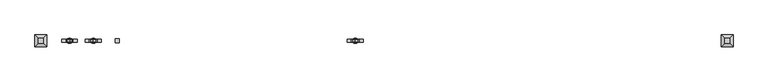
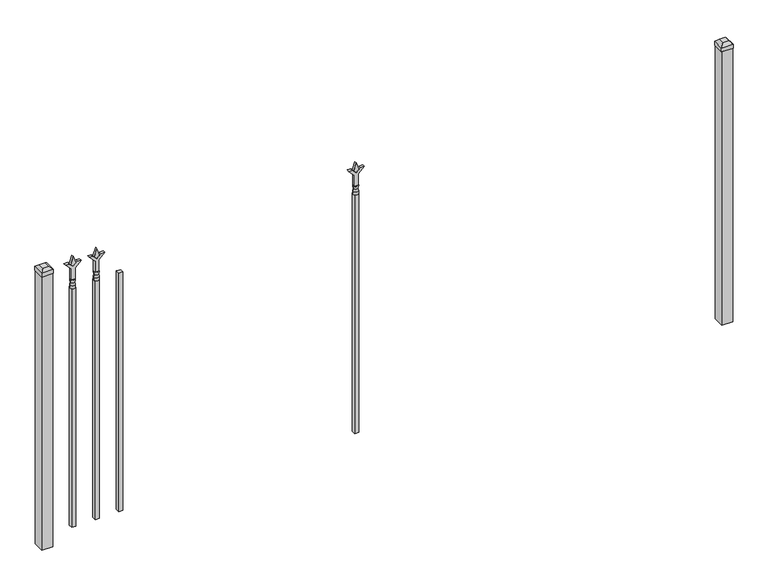
"""IFC4 building model written with IfcOpenShell, lengths in millimetres: railing geometry."""

from ifc_helpers import new_model, si_unit, frame, origin, origin_with_axes, place, context, project, spatial, polyline, circle_curve, outline, extrude, faceted_brep, source, transform, mapped, element, save
from ifc_brep_helpers import plane_surface, cylinder_surface, revolved_surface, advanced_brep


def railing_8c92b0b6(model_context):
    return source(origin(), model_context, "Body", "SolidModel", [
        extrude(outline(polyline([(-73196.5347536, -625.7320174), (-73177.4847536, -625.7320174), (-73177.4847536, -644.7820174), (-73196.5347536, -644.7820174), (-73196.5347536, -625.7320174)])), frame((0.0, 0.0, 50.8), z_axis=(0.0, 0.0, 1.0), x_axis=(1.0, 0.0, 0.0)), (0.0, 0.0, 1.0), 1168.4),
        extrude(outline(polyline([(1335.88125, -73284.3764203), (1371.6, -73296.2826703), (1335.88125, -73308.1889203), (1323.975, -73296.2826703), (1335.88125, -73284.3764203)])), frame((0.0, -640.0195174, 0.0), z_axis=(0.0, 1.0, 0.0), x_axis=(0.0, 0.0, 1.0)), (0.0, 0.0, 1.0), 9.525),
        extrude(outline(polyline([(1260.475, -73287.5514203), (1314.7457378, -73287.5514203), (1341.9355122, -73260.3616458), (1341.9355122, -73278.3221581), (1323.975, -73296.2826703), (1341.9355122, -73314.2431825), (1341.9355122, -73332.2036948), (1314.7457378, -73305.0139203), (1260.475, -73305.0139203), (1260.475, -73287.5514203)])), frame((0.0, -641.6070174, 0.0), z_axis=(0.0, 1.0, 0.0), x_axis=(0.0, 0.0, 1.0)), (0.0, 0.0, 1.0), 12.7),
        advanced_brep(
        [(-73284.3764203, -635.2570174, 1231.9), (-73308.1889203, -635.2570174, 1231.9), (-73308.1889203, -635.2570174, 1219.2), (-73284.3764203, -635.2570174, 1219.2), (-73286.5817522, -635.2570174, 1244.4070585), (-73305.9835884, -635.2570174, 1244.4070585), (-73284.3764203, -635.2570174, 1260.475), (-73308.1889203, -635.2570174, 1260.475), (-73296.2826703, -635.2570174, 1260.475), (-73296.2826703, -635.2570174, 1219.2)],
        [
            (0, 1, circle_curve(frame((-73296.2826703, -635.2570174, 1231.9), z_axis=(0.0, 0.0, -1.0), x_axis=(-1.0, 0.0, 0.0)), 11.90625)),
            (1, 2),
            (2, 3, circle_curve(frame((-73296.2826703, -635.2570174, 1219.2), z_axis=(0.0, 0.0, 1.0), x_axis=(-1.0, 0.0, 0.0)), 11.90625)),
            (3, 0),
            (1, 0, circle_curve(frame((-73296.2826703, -635.2570174, 1231.9), z_axis=(0.0, 0.0, -1.0), x_axis=(-1.0, 0.0, 0.0)), 11.90625)),
            (3, 2, circle_curve(frame((-73296.2826703, -635.2570174, 1219.2), z_axis=(0.0, 0.0, 1.0), x_axis=(-1.0, 0.0, 0.0)), 11.90625)),
            (4, 5, circle_curve(frame((-73296.2826703, -635.2570174, 1244.4070585), z_axis=(0.0, 0.0, -1.0), x_axis=(-1.0, 0.0, 0.0)), 9.7009181)),
            (5, 1),
            (0, 4),
            (5, 4, circle_curve(frame((-73296.2826703, -635.2570174, 1244.4070585), z_axis=(0.0, 0.0, -1.0), x_axis=(-1.0, 0.0, 0.0)), 9.7009181)),
            (6, 7, circle_curve(frame((-73296.2826703, -635.2570174, 1260.475), z_axis=(0.0, 0.0, -1.0), x_axis=(-1.0, 0.0, 0.0)), 11.90625)),
            (7, 5),
            (4, 6),
            (7, 6, circle_curve(frame((-73296.2826703, -635.2570174, 1260.475), z_axis=(0.0, 0.0, -1.0), x_axis=(-1.0, 0.0, 0.0)), 11.90625)),
            (8, 7),
            (6, 8),
            (2, 9),
            (9, 3),
        ],
        [
            cylinder_surface(frame((-73296.2826703, -635.2570174, 1219.2), z_axis=(0.0, 0.0, 1.0), x_axis=(-1.0, 0.0, 0.0)), 11.90625),
            revolved_surface(polyline([(-73308.1889203, -635.2570174, 1231.9), (-73305.9835884, -635.2570174, 1244.4070585)]), (-73296.2826703, -635.2570174, 1219.2), (0.0, 0.0, 1.0)),
            revolved_surface(polyline([(-73305.9835884, -635.2570174, 1244.4070585), (-73308.1889203, -635.2570174, 1260.475)]), (-73296.2826703, -635.2570174, 1219.2), (0.0, 0.0, 1.0)),
            plane_surface(frame((-73296.2826703, -635.2570174, 1260.475), z_axis=(0.0, 0.0, 1.0), x_axis=(-1.0, 0.0, 0.0))),
            plane_surface(frame((-73296.2826703, -635.2570174, 1219.2), z_axis=(0.0, 0.0, -1.0), x_axis=(-1.0, 0.0, 0.0))),
        ],
        [
            (0, [[1, 2, 3, 4]]),
            (0, [[5, -4, 6, -2]]),
            (1, [[7, 8, -1, 9]]),
            (1, [[10, -9, -5, -8]]),
            (2, [[11, 12, -7, 13]]),
            (2, [[14, -13, -10, -12]]),
            (3, [[15, -11, 16]]),
            (3, [[-16, -14, -15]]),
            (4, [[-3, 17, 18]]),
            (4, [[-6, -18, -17]]),
        ],
    ),
        extrude(outline(polyline([(-73305.8076703, -625.7320174), (-73286.7576703, -625.7320174), (-73286.7576703, -644.7820174), (-73305.8076703, -644.7820174), (-73305.8076703, -625.7320174)])), frame((0.0, 0.0, 50.8), z_axis=(0.0, 0.0, 1.0), x_axis=(1.0, 0.0, 0.0)), (0.0, 0.0, 1.0), 1168.4),
        extrude(outline(polyline([(1335.88125, -72082.374337), (1371.6, -72094.280587), (1335.88125, -72106.186837), (1323.975, -72094.280587), (1335.88125, -72082.374337)])), frame((0.0, -640.0195174, 0.0), z_axis=(0.0, 1.0, 0.0), x_axis=(0.0, 0.0, 1.0)), (0.0, 0.0, 1.0), 9.525),
        extrude(outline(polyline([(1260.475, -72085.549337), (1314.7457378, -72085.549337), (1341.9355122, -72058.3595625), (1341.9355122, -72076.3200747), (1323.975, -72094.280587), (1341.9355122, -72112.2410992), (1341.9355122, -72130.2016114), (1314.7457378, -72103.011837), (1260.475, -72103.011837), (1260.475, -72085.549337)])), frame((0.0, -641.6070174, 0.0), z_axis=(0.0, 1.0, 0.0), x_axis=(0.0, 0.0, 1.0)), (0.0, 0.0, 1.0), 12.7),
        advanced_brep(
        [(-72082.374337, -635.2570174, 1231.9), (-72106.186837, -635.2570174, 1231.9), (-72106.186837, -635.2570174, 1219.2), (-72082.374337, -635.2570174, 1219.2), (-72084.5796688, -635.2570174, 1244.4070585), (-72103.9815051, -635.2570174, 1244.4070585), (-72082.374337, -635.2570174, 1260.475), (-72106.186837, -635.2570174, 1260.475), (-72094.280587, -635.2570174, 1260.475), (-72094.280587, -635.2570174, 1219.2)],
        [
            (0, 1, circle_curve(frame((-72094.280587, -635.2570174, 1231.9), z_axis=(0.0, 0.0, -1.0), x_axis=(-1.0, 0.0, 0.0)), 11.90625)),
            (1, 2),
            (2, 3, circle_curve(frame((-72094.280587, -635.2570174, 1219.2), z_axis=(0.0, 0.0, 1.0), x_axis=(-1.0, 0.0, 0.0)), 11.90625)),
            (3, 0),
            (1, 0, circle_curve(frame((-72094.280587, -635.2570174, 1231.9), z_axis=(0.0, 0.0, -1.0), x_axis=(-1.0, 0.0, 0.0)), 11.90625)),
            (3, 2, circle_curve(frame((-72094.280587, -635.2570174, 1219.2), z_axis=(0.0, 0.0, 1.0), x_axis=(-1.0, 0.0, 0.0)), 11.90625)),
            (4, 5, circle_curve(frame((-72094.280587, -635.2570174, 1244.4070585), z_axis=(0.0, 0.0, -1.0), x_axis=(-1.0, 0.0, 0.0)), 9.7009181)),
            (5, 1),
            (0, 4),
            (5, 4, circle_curve(frame((-72094.280587, -635.2570174, 1244.4070585), z_axis=(0.0, 0.0, -1.0), x_axis=(-1.0, 0.0, 0.0)), 9.7009181)),
            (6, 7, circle_curve(frame((-72094.280587, -635.2570174, 1260.475), z_axis=(0.0, 0.0, -1.0), x_axis=(-1.0, 0.0, 0.0)), 11.90625)),
            (7, 5),
            (4, 6),
            (7, 6, circle_curve(frame((-72094.280587, -635.2570174, 1260.475), z_axis=(0.0, 0.0, -1.0), x_axis=(-1.0, 0.0, 0.0)), 11.90625)),
            (8, 7),
            (6, 8),
            (2, 9),
            (9, 3),
        ],
        [
            cylinder_surface(frame((-72094.280587, -635.2570174, 1219.2), z_axis=(0.0, 0.0, 1.0), x_axis=(-1.0, 0.0, 0.0)), 11.90625),
            revolved_surface(polyline([(-72106.186837, -635.2570174, 1231.9), (-72103.9815051, -635.2570174, 1244.4070585)]), (-72094.280587, -635.2570174, 1219.2), (0.0, 0.0, 1.0)),
            revolved_surface(polyline([(-72103.9815051, -635.2570174, 1244.4070585), (-72106.186837, -635.2570174, 1260.475)]), (-72094.280587, -635.2570174, 1219.2), (0.0, 0.0, 1.0)),
            plane_surface(frame((-72094.280587, -635.2570174, 1260.475), z_axis=(0.0, 0.0, 1.0), x_axis=(-1.0, 0.0, 0.0))),
            plane_surface(frame((-72094.280587, -635.2570174, 1219.2), z_axis=(0.0, 0.0, -1.0), x_axis=(-1.0, 0.0, 0.0))),
        ],
        [
            (0, [[1, 2, 3, 4]]),
            (0, [[5, -4, 6, -2]]),
            (1, [[7, 8, -1, 9]]),
            (1, [[10, -9, -5, -8]]),
            (2, [[11, 12, -7, 13]]),
            (2, [[14, -13, -10, -12]]),
            (3, [[15, -11, 16]]),
            (3, [[-16, -14, -15]]),
            (4, [[-3, 17, 18]]),
            (4, [[-6, -18, -17]]),
        ],
    ),
        extrude(outline(polyline([(-72103.805587, -625.7320174), (-72084.755587, -625.7320174), (-72084.755587, -644.7820174), (-72103.805587, -644.7820174), (-72103.805587, -625.7320174)])), frame((0.0, 0.0, 50.8), z_axis=(0.0, 0.0, 1.0), x_axis=(1.0, 0.0, 0.0)), (0.0, 0.0, 1.0), 1168.4),
        extrude(outline(polyline([(1335.88125, -73393.649337), (1371.6, -73405.555587), (1335.88125, -73417.461837), (1323.975, -73405.555587), (1335.88125, -73393.649337)])), frame((0.0, -640.0195174, 0.0), z_axis=(0.0, 1.0, 0.0), x_axis=(0.0, 0.0, 1.0)), (0.0, 0.0, 1.0), 9.525),
        extrude(outline(polyline([(1260.475, -73396.824337), (1314.7457378, -73396.824337), (1341.9355122, -73369.6345625), (1341.9355122, -73387.5950747), (1323.975, -73405.555587), (1341.9355122, -73423.5160992), (1341.9355122, -73441.4766114), (1314.7457378, -73414.286837), (1260.475, -73414.286837), (1260.475, -73396.824337)])), frame((0.0, -641.6070174, 0.0), z_axis=(0.0, 1.0, 0.0), x_axis=(0.0, 0.0, 1.0)), (0.0, 0.0, 1.0), 12.7),
        advanced_brep(
        [(-73393.649337, -635.2570174, 1231.9), (-73417.461837, -635.2570174, 1231.9), (-73417.461837, -635.2570174, 1219.2), (-73393.649337, -635.2570174, 1219.2), (-73395.8546688, -635.2570174, 1244.4070585), (-73415.2565051, -635.2570174, 1244.4070585), (-73393.649337, -635.2570174, 1260.475), (-73417.461837, -635.2570174, 1260.475), (-73405.555587, -635.2570174, 1260.475), (-73405.555587, -635.2570174, 1219.2)],
        [
            (0, 1, circle_curve(frame((-73405.555587, -635.2570174, 1231.9), z_axis=(0.0, 0.0, -1.0), x_axis=(-1.0, 0.0, 0.0)), 11.90625)),
            (1, 2),
            (2, 3, circle_curve(frame((-73405.555587, -635.2570174, 1219.2), z_axis=(0.0, 0.0, 1.0), x_axis=(-1.0, 0.0, 0.0)), 11.90625)),
            (3, 0),
            (1, 0, circle_curve(frame((-73405.555587, -635.2570174, 1231.9), z_axis=(0.0, 0.0, -1.0), x_axis=(-1.0, 0.0, 0.0)), 11.90625)),
            (3, 2, circle_curve(frame((-73405.555587, -635.2570174, 1219.2), z_axis=(0.0, 0.0, 1.0), x_axis=(-1.0, 0.0, 0.0)), 11.90625)),
            (4, 5, circle_curve(frame((-73405.555587, -635.2570174, 1244.4070585), z_axis=(0.0, 0.0, -1.0), x_axis=(-1.0, 0.0, 0.0)), 9.7009181)),
            (5, 1),
            (0, 4),
            (5, 4, circle_curve(frame((-73405.555587, -635.2570174, 1244.4070585), z_axis=(0.0, 0.0, -1.0), x_axis=(-1.0, 0.0, 0.0)), 9.7009181)),
            (6, 7, circle_curve(frame((-73405.555587, -635.2570174, 1260.475), z_axis=(0.0, 0.0, -1.0), x_axis=(-1.0, 0.0, 0.0)), 11.90625)),
            (7, 5),
            (4, 6),
            (7, 6, circle_curve(frame((-73405.555587, -635.2570174, 1260.475), z_axis=(0.0, 0.0, -1.0), x_axis=(-1.0, 0.0, 0.0)), 11.90625)),
            (8, 7),
            (6, 8),
            (2, 9),
            (9, 3),
        ],
        [
            cylinder_surface(frame((-73405.555587, -635.2570174, 1219.2), z_axis=(0.0, 0.0, 1.0), x_axis=(-1.0, 0.0, 0.0)), 11.90625),
            revolved_surface(polyline([(-73417.461837, -635.2570174, 1231.9), (-73415.2565051, -635.2570174, 1244.4070585)]), (-73405.555587, -635.2570174, 1219.2), (0.0, 0.0, 1.0)),
            revolved_surface(polyline([(-73415.2565051, -635.2570174, 1244.4070585), (-73417.461837, -635.2570174, 1260.475)]), (-73405.555587, -635.2570174, 1219.2), (0.0, 0.0, 1.0)),
            plane_surface(frame((-73405.555587, -635.2570174, 1260.475), z_axis=(0.0, 0.0, 1.0), x_axis=(-1.0, 0.0, 0.0))),
            plane_surface(frame((-73405.555587, -635.2570174, 1219.2), z_axis=(0.0, 0.0, -1.0), x_axis=(-1.0, 0.0, 0.0))),
        ],
        [
            (0, [[1, 2, 3, 4]]),
            (0, [[5, -4, 6, -2]]),
            (1, [[7, 8, -1, 9]]),
            (1, [[10, -9, -5, -8]]),
            (2, [[11, 12, -7, 13]]),
            (2, [[14, -13, -10, -12]]),
            (3, [[15, -11, 16]]),
            (3, [[-16, -14, -15]]),
            (4, [[-3, 17, 18]]),
            (4, [[-6, -18, -17]]),
        ],
    ),
        extrude(outline(polyline([(-73415.080587, -625.7320174), (-73396.030587, -625.7320174), (-73396.030587, -644.7820174), (-73415.080587, -644.7820174), (-73415.080587, -625.7320174)])), frame((0.0, 0.0, 50.8), z_axis=(0.0, 0.0, 1.0), x_axis=(1.0, 0.0, 0.0)), (0.0, 0.0, 1.0), 1168.4),
        extrude(outline(polyline([(-70362.318087, -609.8570174), (-70362.318087, -660.6570174), (-70413.118087, -660.6570174), (-70413.118087, -609.8570174), (-70362.318087, -609.8570174)])), origin_with_axes(), (0.0, 0.0, 1.0), 1339.85),
        faceted_brep([(-70414.705587, -608.2695174, 1358.9), (-70414.705587, -608.2695174, 1339.85), (-70414.705587, -662.2445174, 1339.85), (-70414.705587, -662.2445174, 1358.9), (-70402.005587, -620.9695174, 1371.6), (-70402.005587, -649.5445174, 1371.6), (-70360.730587, -662.2445174, 1339.85), (-70360.730587, -662.2445174, 1358.9), (-70373.430587, -649.5445174, 1371.6), (-70360.730587, -608.2695174, 1339.85), (-70360.730587, -608.2695174, 1358.9), (-70373.430587, -620.9695174, 1371.6)], [[[0, 1, 2, 3]], [[4, 0, 3, 5]], [[3, 2, 6, 7]], [[5, 3, 7, 8]], [[7, 6, 9, 10]], [[8, 7, 10, 11]], [[10, 9, 1, 0]], [[11, 10, 0, 4]], [[5, 8, 11, 4]], [[1, 9, 6, 2]]]),
        extrude(outline(polyline([(-73511.918087, -609.8570174), (-73511.918087, -660.6570174), (-73562.718087, -660.6570174), (-73562.718087, -609.8570174), (-73511.918087, -609.8570174)])), origin_with_axes(), (0.0, 0.0, 1.0), 1339.85),
        faceted_brep([(-73564.305587, -608.2695174, 1358.9), (-73564.305587, -608.2695174, 1339.85), (-73564.305587, -662.2445174, 1339.85), (-73564.305587, -662.2445174, 1358.9), (-73551.605587, -620.9695174, 1371.6), (-73551.605587, -649.5445174, 1371.6), (-73510.330587, -662.2445174, 1339.85), (-73510.330587, -662.2445174, 1358.9), (-73523.030587, -649.5445174, 1371.6), (-73510.330587, -608.2695174, 1339.85), (-73510.330587, -608.2695174, 1358.9), (-73523.030587, -620.9695174, 1371.6)], [[[0, 1, 2, 3]], [[4, 0, 3, 5]], [[3, 2, 6, 7]], [[5, 3, 7, 8]], [[7, 6, 9, 10]], [[8, 7, 10, 11]], [[10, 9, 1, 0]], [[11, 10, 0, 4]], [[5, 8, 11, 4]], [[1, 9, 6, 2]]]),
    ])


if __name__ == "__main__":
    model = new_model("IFC4")
    model_context = context("Model", 3, world=origin())
    ifc_project = project(units=[si_unit("LENGTHUNIT", "METRE", prefix="MILLI")], contexts=[model_context])
    site = spatial("IfcSite", under=ifc_project)
    building = spatial("IfcBuilding", under=site)
    placement = place(None, origin())
    railing_shape = railing_8c92b0b6(model_context)
    element("IfcRailing", 1, at=placement, inside=building, context=model_context, shape_type="MappedRepresentation", body=[
        mapped(railing_shape, transform((0.0, 0.0, 0.0), x_axis=(1.0, 0.0, 0.0), y_axis=(0.0, 1.0, 0.0), z_axis=(0.0, 0.0, 1.0))),
    ])
    save(model, "model.ifc")
